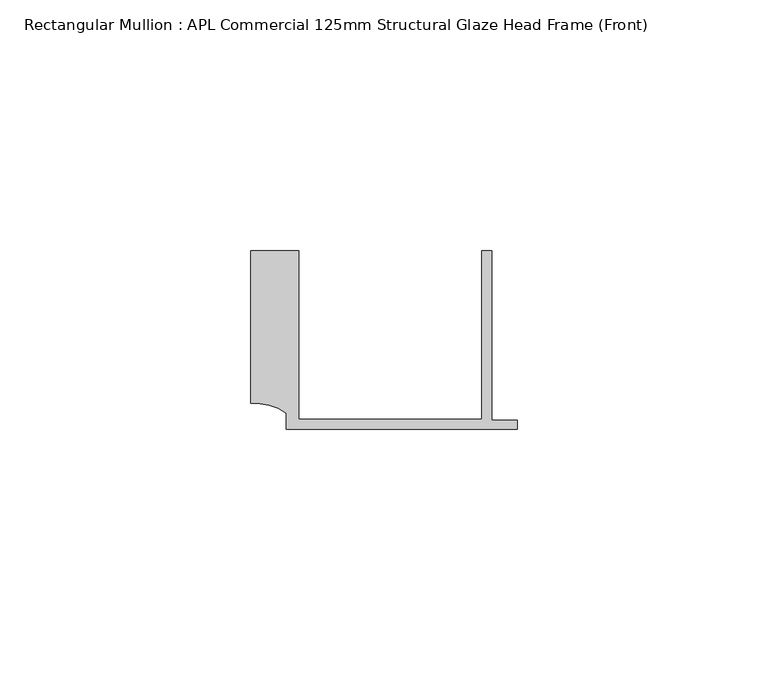
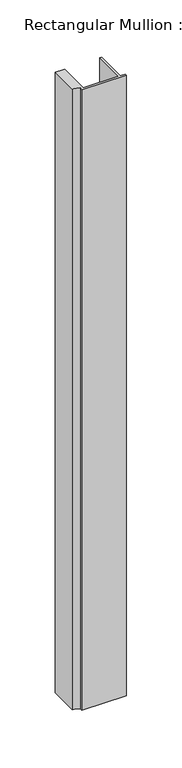
"""IFC4 building model written with IfcOpenShell, lengths in millimetres: member geometry, Rectangular Mullion : APL Commercial 125mm Structural Glaze Head Frame (Front)."""

import ifcopenshell
import ifcopenshell.guid

model = None  # the IFC model being written
_history = None  # IfcOwnerHistory: only IFC2X3 demands one
_inside = {}  # id of a spatial element -> (the spatial element, [elements in it])
_under = {}  # id of a project, library or spatial element -> (it, [spatial elements below it])
_declared = {}  # id of a project -> (the project, [libraries it declares])
_typed = {}  # id of a type object -> (the type object, [elements of that type])
_made_of = {}  # id of a material, layer set ... -> (it, [elements and type objects made of it])


def new_model(schema):
    """Start an empty IFC model of exactly this schema.

    Asked for "IFC4X3", IfcOpenShell would pick the latest addendum, in which some entities
    have other attributes; the version numbers below select the first issue.
    IFC2X3 requires an IfcOwnerHistory on every rooted entity: one is made here for all.
    """
    global model, _history
    if schema == "IFC4X3":
        model = ifcopenshell.file(schema_version=(4, 3, 0, 0))
    else:
        model = ifcopenshell.file(schema=schema)
    _inside.clear()
    _under.clear()
    _declared.clear()
    _typed.clear()
    _made_of.clear()
    _history = None
    if model.schema == "IFC2X3":
        org = make("IfcOrganization", Name="unknown")
        user = make(
            "IfcPersonAndOrganization",
            ThePerson=make("IfcPerson", FamilyName="unknown"),
            TheOrganization=org,
        )
        app = make(
            "IfcApplication",
            ApplicationDeveloper=org,
            Version="unknown",
            ApplicationFullName="unknown",
            ApplicationIdentifier="unknown",
        )
        _history = make(
            "IfcOwnerHistory",
            OwningUser=user,
            OwningApplication=app,
            ChangeAction="ADDED",
            CreationDate=0,
        )
    return model


def make(cls, **values):
    """One entity of the class cls with the attributes given. An attribute that is None is left unset."""
    return model.create_entity(
        cls, **{name: value for name, value in values.items() if value is not None}
    )


def rooted(cls, **values):
    """An entity with a GlobalId (a new one), such as an element, a storey or a relation."""
    return make(cls, GlobalId=ifcopenshell.guid.new(), OwnerHistory=_history, **values)


def si_unit(unit_type, name, prefix=None):
    """IfcSIUnit, for example si_unit("LENGTHUNIT", "METRE", prefix="MILLI")."""
    return make("IfcSIUnit", UnitType=unit_type, Prefix=prefix, Name=name)


def assignment(units):
    """IfcUnitAssignment: the units of a project."""
    return None if units is None else make("IfcUnitAssignment", Units=units)


def point(xyz):
    """IfcCartesianPoint."""
    return None if xyz is None else make("IfcCartesianPoint", Coordinates=xyz)


def direction(xyz):
    """IfcDirection."""
    return None if xyz is None else make("IfcDirection", DirectionRatios=xyz)


def frame(location, z_axis=None, x_axis=None):
    """IfcAxis2Placement3D, a coordinate frame: its origin and axes. An axis left out is left unset."""
    return make(
        "IfcAxis2Placement3D",
        Location=point(location),
        Axis=direction(z_axis),
        RefDirection=direction(x_axis),
    )


def frame_2d(location, x_axis=None):
    """IfcAxis2Placement2D, a coordinate frame in the plane: its origin and x axis."""
    return make(
        "IfcAxis2Placement2D", Location=point(location), RefDirection=direction(x_axis)
    )


def origin():
    """The frame at (0, 0, 0) with its axes left unset."""
    return frame((0.0, 0.0, 0.0))


def place(relative_to, where):
    """IfcLocalPlacement: puts the frame where relative to a parent placement (None: the world)."""
    return make(
        "IfcLocalPlacement", PlacementRelTo=relative_to, RelativePlacement=where
    )


def context(
    kind, dimensions, precision=None, world=None, true_north=None, identifier=None
):
    """IfcGeometricRepresentationContext, for example the 3D "Model" context."""
    return make(
        "IfcGeometricRepresentationContext",
        ContextIdentifier=identifier,
        ContextType=kind,
        CoordinateSpaceDimension=dimensions,
        Precision=precision,
        WorldCoordinateSystem=world,
        TrueNorth=true_north,
    )


def project(units=None, contexts=None):
    """IfcProject with its units and contexts."""
    return rooted(
        "IfcProject",
        Name="project",
        RepresentationContexts=contexts,
        UnitsInContext=assignment(units),
    )


def spatial(cls, under=None, at=None, **own):
    """A site, building, storey or space (cls), placed at a placement, below another one or the project."""
    s = rooted(cls, ObjectPlacement=at, **own)
    if under is not None:
        _under.setdefault(under.id(), (under, []))[1].append(s)
    return s


def polyline(points):
    """IfcPolyline through the points."""
    return make("IfcPolyline", Points=[point(p) for p in points])


def circle_curve(where, radius):
    """IfcCircle in the frame where."""
    return make("IfcCircle", Position=where, Radius=radius)


def trimmed(basis, trim1, trim2, sense, master):
    """IfcTrimmedCurve: the piece of a basis curve between two trims."""
    return make(
        "IfcTrimmedCurve",
        BasisCurve=basis,
        Trim1=trim1,
        Trim2=trim2,
        SenseAgreement=sense,
        MasterRepresentation=master,
    )


def segment(curve, same_sense, transition):
    """IfcCompositeCurveSegment."""
    return make(
        "IfcCompositeCurveSegment",
        Transition=transition,
        SameSense=same_sense,
        ParentCurve=curve,
    )


def composite_curve(segments, self_intersect=None):
    """IfcCompositeCurve: segments joined end to end."""
    return make("IfcCompositeCurve", Segments=segments, SelfIntersect=self_intersect)


def outline(outer, holes=None, kind="AREA"):
    """IfcArbitraryClosedProfileDef: a profile drawn as a closed curve; with holes, ...WithVoids."""
    if holes is None:
        return make("IfcArbitraryClosedProfileDef", ProfileType=kind, OuterCurve=outer)
    return make(
        "IfcArbitraryProfileDefWithVoids",
        ProfileType=kind,
        OuterCurve=outer,
        InnerCurves=holes,
    )


def extrude(swept, where, along, depth):
    """IfcExtrudedAreaSolid: the profile swept, set in the frame where, extruded along a direction by depth."""
    return make(
        "IfcExtrudedAreaSolid",
        SweptArea=swept,
        Position=where,
        ExtrudedDirection=direction(along),
        Depth=depth,
    )


def shape(context_of_items, identifier, shape_type, items):
    """IfcShapeRepresentation: the items that make up one representation, for example the "Body"."""
    return make(
        "IfcShapeRepresentation",
        ContextOfItems=context_of_items,
        RepresentationIdentifier=identifier,
        RepresentationType=shape_type,
        Items=items,
    )


def source(mapping_origin, context_of_items, identifier, shape_type, items):
    """IfcRepresentationMap: a shape defined once, which mapped items show again and again."""
    return make(
        "IfcRepresentationMap",
        MappingOrigin=mapping_origin,
        MappedRepresentation=shape(context_of_items, identifier, shape_type, items),
    )


def transform(
    local_origin,
    x_axis=None,
    y_axis=None,
    z_axis=None,
    scale=None,
    scale2=None,
    scale3=None,
    uniform=True,
):
    """IfcCartesianTransformationOperator3D, or its non-uniform kind. x_axis, y_axis, z_axis: its Axis1, 2, 3."""
    if uniform:
        return make(
            "IfcCartesianTransformationOperator3D",
            Axis1=direction(x_axis),
            Axis2=direction(y_axis),
            LocalOrigin=point(local_origin),
            Scale=scale,
            Axis3=direction(z_axis),
        )
    return make(
        "IfcCartesianTransformationOperator3DnonUniform",
        Axis1=direction(x_axis),
        Axis2=direction(y_axis),
        LocalOrigin=point(local_origin),
        Scale=scale,
        Axis3=direction(z_axis),
        Scale2=scale2,
        Scale3=scale3,
    )


def mapped(mapping_source, mapping_target):
    """IfcMappedItem: shows the shape of a source again, moved by a transform."""
    return make(
        "IfcMappedItem", MappingSource=mapping_source, MappingTarget=mapping_target
    )


def made_of(thing, what):
    """Note that an element or type object is made of a material, layer set ...; save() writes the relation."""
    if what is not None:
        _made_of.setdefault(what.id(), (what, []))[1].append(thing)
    return thing


def element(
    cls,
    number,
    at=None,
    inside=None,
    cuts=None,
    type_object=None,
    material=None,
    context=None,
    identifier="Body",
    shape_type=None,
    held_by="IfcProductDefinitionShape",
    body=None,
    shapes=None,
    **own,
):
    """One element of the class cls, such as IfcWall. Its Tag is "e" and its number.

    at: its placement. inside: the storey or other place that contains it. cuts: it is an
    opening in that element (IfcRelVoidsElement). A single representation is given by context,
    identifier, shape_type and body (its items); several are given by shapes. held_by: the class
    of the entity that holds the representations. save() writes the other relations.
    """
    e = rooted(cls, Tag="e%d" % number, ObjectPlacement=at, **own)
    if body is not None:
        shapes = [shape(context, identifier, shape_type, body)]
    if shapes is not None:
        e.Representation = make(held_by, Representations=shapes)
    if inside is not None:
        _inside.setdefault(inside.id(), (inside, []))[1].append(e)
    if cuts is not None:
        rooted(
            "IfcRelVoidsElement", RelatingBuildingElement=cuts, RelatedOpeningElement=e
        )
    if type_object is not None:
        _typed.setdefault(type_object.id(), (type_object, []))[1].append(e)
    return made_of(e, material)


def aggregate(whole, parts):
    """IfcRelAggregates: a whole, such as a stair, and the parts it consists of."""
    return rooted("IfcRelAggregates", RelatingObject=whole, RelatedObjects=parts)


def save(model, path):
    """Write the relations noted so far, then the file.

    IfcRelAggregates (storeys below a building ...), IfcRelContainedInSpatialStructure (elements
    in a storey), IfcRelDefinesByType, IfcRelAssociatesMaterial and IfcRelDeclares: one each for
    every whole, place, type object, material and project.
    """
    for whole, parts in _under.values():
        aggregate(whole, parts)
    for where, things in _inside.values():
        rooted(
            "IfcRelContainedInSpatialStructure",
            RelatedElements=things,
            RelatingStructure=where,
        )
    for kind, things in _typed.values():
        rooted("IfcRelDefinesByType", RelatedObjects=things, RelatingType=kind)
    for what, things in _made_of.values():
        rooted("IfcRelAssociatesMaterial", RelatedObjects=things, RelatingMaterial=what)
    for by, libraries in _declared.values():
        rooted("IfcRelDeclares", RelatingContext=by, RelatedDefinitions=libraries)
    model.write(path)


def rectangular_mullion_apl_commercial_125mm_structural_glaze_d162be44(model_context):
    return source(origin(), model_context, "Body", "SweptSolid", [
        extrude(outline(composite_curve([segment(polyline([(-52.9999542, 15.0), (-43.5000151, 15.0), (-43.5000151, -18.5002486), (-7.0, -18.5002486), (-7.0, 15.0), (-5.0, 15.0), (-5.0, -18.7002486), (0.0, -18.7002486), (0.0, -20.5002486), (-45.9999994, -20.5002486), (-45.9999994, -17.3126154)]), True, "CONTINUOUS"), segment(trimmed(circle_curve(frame_2d((-52.109817, -25.7982641)), 10.4563907), [point((-45.9999994, -17.3126154))], [point((-52.9999542, -15.3798304))], True, "CARTESIAN"), True, "CONTINUOUS"), segment(polyline([(-52.9999542, -15.3798304), (-52.9999542, 15.0)]), True, "CONTINUOUS")], self_intersect=False)), frame((0.0, 0.0, -683.0116009), z_axis=(0.0, 0.0, 1.0), x_axis=(1.0, 0.0, 0.0)), (0.0, 0.0, 1.0), 683.0116009),
    ])


if __name__ == "__main__":
    model = new_model("IFC4")
    model_context = context("Model", 3, world=origin())
    ifc_project = project(units=[si_unit("LENGTHUNIT", "METRE", prefix="MILLI")], contexts=[model_context])
    site = spatial("IfcSite", under=ifc_project)
    building = spatial("IfcBuilding", under=site)
    placement = place(None, origin())
    rectangular_mullion_apl_commercial_125mm_structural_glaze_shape = rectangular_mullion_apl_commercial_125mm_structural_glaze_d162be44(model_context)
    element("IfcMember", 1, ObjectType="Rectangular Mullion : APL Commercial 125mm Structural Glaze Head Frame (Front)", at=placement, inside=building, context=model_context, shape_type="MappedRepresentation", body=[
        mapped(rectangular_mullion_apl_commercial_125mm_structural_glaze_shape, transform((0.0, 0.0, 0.0), x_axis=(1.0, 0.0, 0.0), y_axis=(0.0, 1.0, 0.0), z_axis=(0.0, 0.0, 1.0))),
    ])
    save(model, "model.ifc")
